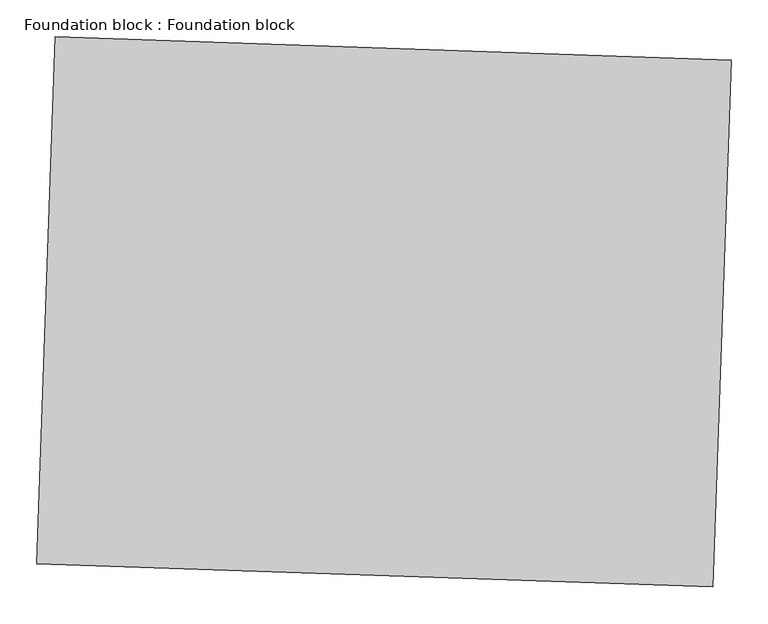
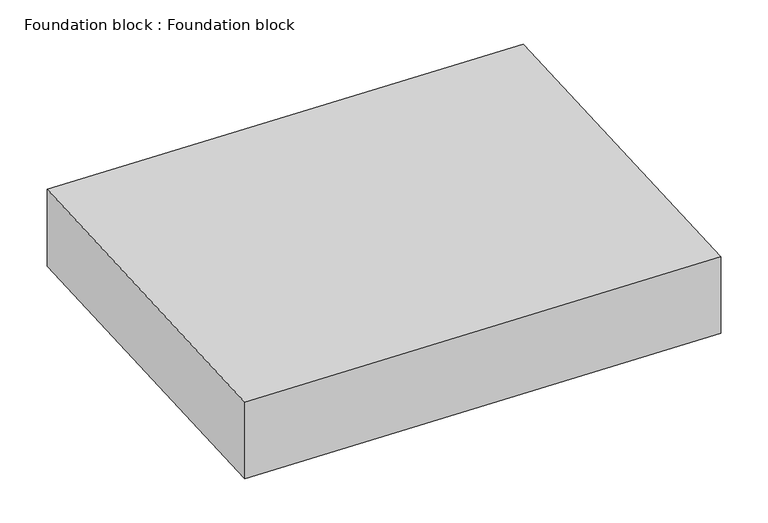
"""IFC4 building model written with IfcOpenShell, lengths in millimetres: proxy geometry, Foundation block : Foundation block."""

from ifc_helpers import new_model, si_unit, frame, origin, place, context, project, spatial, polyline, outline, extrude, source, transform, mapped, element, save


def foundation_block_foundation_block_ebb71012(model_context):
    return source(origin(), model_context, "Body", "SweptSolid", [
        extrude(outline(polyline([(33423.6525946, -15937.6485596), (33448.0343463, -15225.1860545), (34361.8993747, -15256.4601638), (34337.5176229, -15968.9226689), (33423.6525946, -15937.6485596)])), frame((0.0, 0.0, -158.7500095), z_axis=(0.0, 0.0, 1.0), x_axis=(1.0, 0.0, 0.0)), (0.0, 0.0, 1.0), 158.7500095),
    ])


if __name__ == "__main__":
    model = new_model("IFC4")
    model_context = context("Model", 3, world=origin())
    ifc_project = project(units=[si_unit("LENGTHUNIT", "METRE", prefix="MILLI")], contexts=[model_context])
    site = spatial("IfcSite", under=ifc_project)
    building = spatial("IfcBuilding", under=site)
    placement = place(None, origin())
    foundation_block_foundation_block_shape = foundation_block_foundation_block_ebb71012(model_context)
    element("IfcBuildingElementProxy", 1, Name="Foundation block : Foundation block", ObjectType="Foundation block : Foundation block", at=placement, inside=building, context=model_context, shape_type="MappedRepresentation", body=[
        mapped(foundation_block_foundation_block_shape, transform((0.0, 0.0, 0.0), x_axis=(1.0, 0.0, 0.0), y_axis=(0.0, 1.0, 0.0), z_axis=(0.0, 0.0, 1.0))),
    ])
    save(model, "model.ifc")
